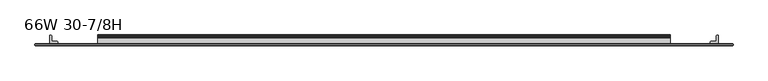
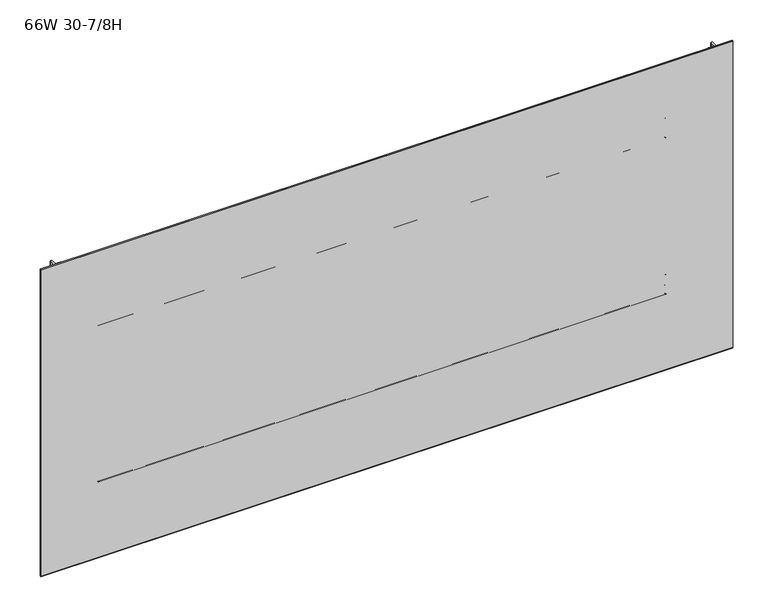
"""IFC4 building model written with IfcOpenShell, lengths in millimetres: furniture geometry, 66W 30-7/8H."""

from ifc_helpers import new_model, si_unit, point, frame, frame_2d, origin, place, context, project, spatial, polyline, circle_curve, trimmed, segment, composite_curve, outline, extrude, faceted_brep, source, transform, mapped, element, save


def furniture_66w_30_7_8h_f20e3767(model_context):
    return source(origin(), model_context, "Body", "SolidModel", [
        extrude(outline(composite_curve([segment(polyline([(-5.2324, 715.0809175), (-5.2324, 736.1994434)]), True, "CONTINUOUS"), segment(trimmed(circle_curve(frame_2d((-4.677496, 736.1994434)), 0.554904), [point((-5.2324, 736.1994434))], [point((-4.5338691, 736.7354377))], False, "CARTESIAN"), True, "CONTINUOUS"), segment(polyline([(-4.5338691, 736.7354377), (-3.3274001, 736.4121481), (-2.3976956, 735.482481), (-2.0574001, 734.2124277), (-2.0574001, 721.4426431)]), True, "CONTINUOUS"), segment(trimmed(circle_curve(frame_2d((-1.4921701, 721.4426431)), 0.5652299), [point((-2.0574001, 721.4426431))], [point((-1.4921701, 720.8774132))], True, "CARTESIAN"), True, "CONTINUOUS"), segment(polyline([(-1.4921701, 720.8774132), (0.5143951, 720.8774132)]), True, "CONTINUOUS"), segment(trimmed(circle_curve(frame_2d((0.5143951, 720.2742083)), 0.6032049), [point((0.5143951, 720.8774132))], [point((1.1176, 720.2742083))], False, "CARTESIAN"), True, "CONTINUOUS"), segment(polyline([(1.1176, 720.2742083), (1.1176, 689.1596046)]), True, "CONTINUOUS"), segment(trimmed(circle_curve(frame_2d((0.6637885, 691.8488096)), 2.7272272), [point((1.1176, 689.1596046))], [point((-2.0574001, 691.6674229))], False, "CARTESIAN"), True, "CONTINUOUS"), segment(polyline([(-2.0574001, 691.6674229), (-2.0574001, 713.9831717)]), True, "CONTINUOUS"), segment(trimmed(circle_curve(frame_2d((-2.6016657, 713.9831717)), 0.5442657), [point((-2.0574001, 713.9831717))], [point((-2.6016657, 714.5274374))], True, "CARTESIAN"), True, "CONTINUOUS"), segment(polyline([(-2.6016657, 714.5274374), (-4.6789199, 714.5274374)]), True, "CONTINUOUS"), segment(trimmed(circle_curve(frame_2d((-4.6789199, 715.0809175)), 0.5534801), [point((-4.6789199, 714.5274374))], [point((-5.2324, 715.0809175))], False, "CARTESIAN"), True, "CONTINUOUS")], self_intersect=False)), frame((152.4, 0.0, 0.0), z_axis=(1.0, 0.0, 0.0), x_axis=(0.0, 1.0, 0.0)), (0.0, 0.0, 1.0), 1371.6),
        extrude(outline(composite_curve([segment(polyline([(-7.1373999, 768.5024132), (-4.5974, 767.8218588), (-2.7379909, 765.9624519), (-2.0574001, 763.422418), (-2.0574001, 741.8087352)]), True, "CONTINUOUS"), segment(trimmed(circle_curve(frame_2d((-1.4969277, 741.8087352)), 0.5604724), [point((-2.0574001, 741.8087352))], [point((-1.4969277, 741.2482628))], True, "CARTESIAN"), True, "CONTINUOUS"), segment(polyline([(-1.4969277, 741.2482628), (0.4039455, 741.2482628)]), True, "CONTINUOUS"), segment(trimmed(circle_curve(frame_2d((0.4039455, 740.5346084)), 0.7136544), [point((0.4039455, 741.2482628))], [point((1.1176, 740.5346084))], False, "CARTESIAN"), True, "CONTINUOUS"), segment(polyline([(1.1176, 740.5346084), (1.1176, 722.1784694)]), True, "CONTINUOUS"), segment(trimmed(circle_curve(frame_2d((0.4746932, 722.1784694)), 0.6429068), [point((1.1176, 722.1784694))], [point((-0.1003385, 721.8909495))], False, "CARTESIAN"), True, "CONTINUOUS"), segment(polyline([(-0.1003385, 721.8909495), (-1.8183367, 725.3268984)]), True, "CONTINUOUS"), segment(trimmed(circle_curve(frame_2d((0.2069874, 726.3395745)), 2.2643874), [point((-1.8183367, 725.3268984))], [point((-2.0574001, 726.3395745))], False, "CARTESIAN"), True, "CONTINUOUS"), segment(polyline([(-2.0574001, 726.3395745), (-2.0574001, 736.0152528)]), True, "CONTINUOUS"), segment(trimmed(circle_curve(frame_2d((-2.7946089, 736.0152528)), 0.7372088), [point((-2.0574001, 736.0152528))], [point((-2.7946089, 736.7524616))], True, "CARTESIAN"), True, "CONTINUOUS"), segment(polyline([(-2.7946089, 736.7524616), (-19.4564001, 736.7524616), (-19.4564001, 768.5024132), (-7.1373999, 768.5024132)]), True, "CONTINUOUS")], self_intersect=False), holes=[composite_curve([segment(trimmed(circle_curve(frame_2d((-13.0222745, 763.2113262)), 2.7511257), [point((-13.0222745, 765.9624519))], [point((-15.7734002, 763.2113262))], True, "CARTESIAN"), True, "CONTINUOUS"), segment(polyline([(-15.7734002, 763.2113262), (-15.7734002, 741.8764781)]), True, "CONTINUOUS"), segment(trimmed(circle_curve(frame_2d((-13.189345, 741.8764781)), 2.5840552), [point((-15.7734002, 741.8764781))], [point((-13.189345, 739.2924229))], True, "CARTESIAN"), True, "CONTINUOUS"), segment(polyline([(-13.189345, 739.2924229), (-7.4218653, 739.2924229)]), True, "CONTINUOUS"), segment(trimmed(circle_curve(frame_2d((-7.4218653, 742.1168881)), 2.8244652), [point((-7.4218653, 739.2924229))], [point((-4.5974, 742.1168881))], True, "CARTESIAN"), True, "CONTINUOUS"), segment(polyline([(-4.5974, 742.1168881), (-4.5974, 763.2853081)]), True, "CONTINUOUS"), segment(trimmed(circle_curve(frame_2d((-7.2745438, 763.2853081)), 2.6771438), [point((-4.5974, 763.2853081))], [point((-7.2745438, 765.9624519))], True, "CARTESIAN"), True, "CONTINUOUS"), segment(polyline([(-7.2745438, 765.9624519), (-13.0222745, 765.9624519)]), True, "CONTINUOUS")], self_intersect=False)]), frame((152.4, 0.0, 0.0), z_axis=(1.0, 0.0, 0.0), x_axis=(0.0, 1.0, 0.0)), (0.0, 0.0, 1.0), 1371.6),
        extrude(outline(composite_curve([segment(polyline([(-5.2324, 1115.1182044), (-5.2324, 1136.2367302)]), True, "CONTINUOUS"), segment(trimmed(circle_curve(frame_2d((-4.677496, 1136.2367302)), 0.554904), [point((-5.2324, 1136.2367302))], [point((-4.5338691, 1136.7727245))], False, "CARTESIAN"), True, "CONTINUOUS"), segment(polyline([(-4.5338691, 1136.7727245), (-3.3274001, 1136.4494349), (-2.3976956, 1135.5197678), (-2.0574001, 1134.2497145), (-2.0574001, 1121.4799299)]), True, "CONTINUOUS"), segment(trimmed(circle_curve(frame_2d((-1.4921701, 1121.4799299)), 0.5652299), [point((-2.0574001, 1121.4799299))], [point((-1.4921701, 1120.9147))], True, "CARTESIAN"), True, "CONTINUOUS"), segment(polyline([(-1.4921701, 1120.9147), (0.5143951, 1120.9147)]), True, "CONTINUOUS"), segment(trimmed(circle_curve(frame_2d((0.5143951, 1120.3114951)), 0.6032049), [point((0.5143951, 1120.9147))], [point((1.1176, 1120.3114951))], False, "CARTESIAN"), True, "CONTINUOUS"), segment(polyline([(1.1176, 1120.3114951), (1.1176, 1089.1968914)]), True, "CONTINUOUS"), segment(trimmed(circle_curve(frame_2d((0.6637885, 1091.8860964)), 2.7272272), [point((1.1176, 1089.1968914))], [point((-2.0574001, 1091.7047097))], False, "CARTESIAN"), True, "CONTINUOUS"), segment(polyline([(-2.0574001, 1091.7047097), (-2.0574001, 1114.0204586)]), True, "CONTINUOUS"), segment(trimmed(circle_curve(frame_2d((-2.6016657, 1114.0204586)), 0.5442657), [point((-2.0574001, 1114.0204586))], [point((-2.6016657, 1114.5647242))], True, "CARTESIAN"), True, "CONTINUOUS"), segment(polyline([(-2.6016657, 1114.5647242), (-4.6789199, 1114.5647242)]), True, "CONTINUOUS"), segment(trimmed(circle_curve(frame_2d((-4.6789199, 1115.1182044)), 0.5534801), [point((-4.6789199, 1114.5647242))], [point((-5.2324, 1115.1182044))], False, "CARTESIAN"), True, "CONTINUOUS")], self_intersect=False)), frame((152.4, 0.0, 0.0), z_axis=(1.0, 0.0, 0.0), x_axis=(0.0, 1.0, 0.0)), (0.0, 0.0, 1.0), 1371.6),
        extrude(outline(composite_curve([segment(polyline([(-7.1373999, 1168.5397), (-4.5974, 1167.8591456), (-2.7379909, 1165.9997388), (-2.0574001, 1163.4597048), (-2.0574001, 1141.846022)]), True, "CONTINUOUS"), segment(trimmed(circle_curve(frame_2d((-1.4969277, 1141.846022)), 0.5604724), [point((-2.0574001, 1141.846022))], [point((-1.4969277, 1141.2855496))], True, "CARTESIAN"), True, "CONTINUOUS"), segment(polyline([(-1.4969277, 1141.2855496), (0.4039455, 1141.2855496)]), True, "CONTINUOUS"), segment(trimmed(circle_curve(frame_2d((0.4039455, 1140.5718952)), 0.7136544), [point((0.4039455, 1141.2855496))], [point((1.1176, 1140.5718952))], False, "CARTESIAN"), True, "CONTINUOUS"), segment(polyline([(1.1176, 1140.5718952), (1.1176, 1122.2157562)]), True, "CONTINUOUS"), segment(trimmed(circle_curve(frame_2d((0.4746932, 1122.2157562)), 0.6429068), [point((1.1176, 1122.2157562))], [point((-0.1003385, 1121.9282364))], False, "CARTESIAN"), True, "CONTINUOUS"), segment(polyline([(-0.1003385, 1121.9282364), (-1.8183367, 1125.3641852)]), True, "CONTINUOUS"), segment(trimmed(circle_curve(frame_2d((0.2069874, 1126.3768613)), 2.2643874), [point((-1.8183367, 1125.3641852))], [point((-2.0574001, 1126.3768613))], False, "CARTESIAN"), True, "CONTINUOUS"), segment(polyline([(-2.0574001, 1126.3768613), (-2.0574001, 1136.0525396)]), True, "CONTINUOUS"), segment(trimmed(circle_curve(frame_2d((-2.7946089, 1136.0525396)), 0.7372088), [point((-2.0574001, 1136.0525396))], [point((-2.7946089, 1136.7897484))], True, "CARTESIAN"), True, "CONTINUOUS"), segment(polyline([(-2.7946089, 1136.7897484), (-19.4564001, 1136.7897484), (-19.4564001, 1168.5397), (-7.1373999, 1168.5397)]), True, "CONTINUOUS")], self_intersect=False), holes=[composite_curve([segment(trimmed(circle_curve(frame_2d((-13.0222745, 1163.248613)), 2.7511257), [point((-13.0222745, 1165.9997388))], [point((-15.7734002, 1163.248613))], True, "CARTESIAN"), True, "CONTINUOUS"), segment(polyline([(-15.7734002, 1163.248613), (-15.7734002, 1141.9137649)]), True, "CONTINUOUS"), segment(trimmed(circle_curve(frame_2d((-13.189345, 1141.9137649)), 2.5840552), [point((-15.7734002, 1141.9137649))], [point((-13.189345, 1139.3297097))], True, "CARTESIAN"), True, "CONTINUOUS"), segment(polyline([(-13.189345, 1139.3297097), (-7.4218653, 1139.3297097)]), True, "CONTINUOUS"), segment(trimmed(circle_curve(frame_2d((-7.4218653, 1142.1541749)), 2.8244652), [point((-7.4218653, 1139.3297097))], [point((-4.5974, 1142.1541749))], True, "CARTESIAN"), True, "CONTINUOUS"), segment(polyline([(-4.5974, 1142.1541749), (-4.5974, 1163.322595)]), True, "CONTINUOUS"), segment(trimmed(circle_curve(frame_2d((-7.2745438, 1163.322595)), 2.6771438), [point((-4.5974, 1163.322595))], [point((-7.2745438, 1165.9997388))], True, "CARTESIAN"), True, "CONTINUOUS"), segment(polyline([(-7.2745438, 1165.9997388), (-13.0222745, 1165.9997388)]), True, "CONTINUOUS")], self_intersect=False)]), frame((152.4, 0.0, 0.0), z_axis=(1.0, 0.0, 0.0), x_axis=(0.0, 1.0, 0.0)), (0.0, 0.0, 1.0), 1371.6),
        extrude(outline(composite_curve([segment(trimmed(circle_curve(frame_2d((1637.7524764, -18.9088765)), 0.5475236), [point((1638.3, -18.9088765))], [point((1637.7524764, -19.4564001))], False, "CARTESIAN"), True, "CONTINUOUS"), segment(polyline([(1637.7524764, -19.4564001), (1619.8113866, -19.4564001)]), True, "CONTINUOUS"), segment(trimmed(circle_curve(frame_2d((1619.8113866, -18.8950135)), 0.5613866), [point((1619.8113866, -19.4564001))], [point((1619.25, -18.8950135))], False, "CARTESIAN"), True, "CONTINUOUS"), segment(polyline([(1619.25, -18.8950135), (1619.25, -16.8669745)]), True, "CONTINUOUS"), segment(trimmed(circle_curve(frame_2d((1621.8294745, -16.8669745)), 2.5794745), [point((1619.25, -16.8669745))], [point((1621.8294745, -14.2875))], False, "CARTESIAN"), True, "CONTINUOUS"), segment(polyline([(1621.8294745, -14.2875), (1632.8787912, -14.2875)]), True, "CONTINUOUS"), segment(trimmed(circle_curve(frame_2d((1632.8787912, -13.6414903)), 0.6460097), [point((1632.8787912, -14.2875))], [point((1633.5248009, -13.6414903))], True, "CARTESIAN"), True, "CONTINUOUS"), segment(polyline([(1633.5248009, -13.6414903), (1633.5248009, -2.768893)]), True, "CONTINUOUS"), segment(trimmed(circle_curve(frame_2d((1636.2936939, -2.768893)), 2.768893), [point((1633.5248009, -2.768893))], [point((1636.2936939, 0.0))], False, "CARTESIAN"), True, "CONTINUOUS"), segment(polyline([(1636.2936939, 0.0), (1637.7082199, 0.0)]), True, "CONTINUOUS"), segment(trimmed(circle_curve(frame_2d((1637.7082199, -0.5917801)), 0.5917801), [point((1637.7082199, 0.0))], [point((1638.3, -0.5917801))], False, "CARTESIAN"), True, "CONTINUOUS"), segment(polyline([(1638.3, -0.5917801), (1638.3, -18.9088765)]), True, "CONTINUOUS")], self_intersect=False)), frame((0.0, 0.0, 541.655), z_axis=(0.0, 0.0, 1.0), x_axis=(1.0, 0.0, 0.0)), (0.0, 0.0, 1.0), 774.6873),
        extrude(outline(composite_curve([segment(polyline([(38.1, -18.9088765), (38.1, -0.5917801)]), True, "CONTINUOUS"), segment(trimmed(circle_curve(frame_2d((38.6917801, -0.5917801)), 0.5917801), [point((38.1, -0.5917801))], [point((38.6917801, 0.0))], False, "CARTESIAN"), True, "CONTINUOUS"), segment(polyline([(38.6917801, 0.0), (40.1063061, 0.0)]), True, "CONTINUOUS"), segment(trimmed(circle_curve(frame_2d((40.1063061, -2.768893)), 2.768893), [point((40.1063061, 0.0))], [point((42.8751991, -2.768893))], False, "CARTESIAN"), True, "CONTINUOUS"), segment(polyline([(42.8751991, -2.768893), (42.8751991, -13.6414903)]), True, "CONTINUOUS"), segment(trimmed(circle_curve(frame_2d((43.5212088, -13.6414903)), 0.6460097), [point((42.8751991, -13.6414903))], [point((43.5212088, -14.2875))], True, "CARTESIAN"), True, "CONTINUOUS"), segment(polyline([(43.5212088, -14.2875), (54.5705255, -14.2875)]), True, "CONTINUOUS"), segment(trimmed(circle_curve(frame_2d((54.5705255, -16.8669745)), 2.5794745), [point((54.5705255, -14.2875))], [point((57.15, -16.8669745))], False, "CARTESIAN"), True, "CONTINUOUS"), segment(polyline([(57.15, -16.8669745), (57.15, -18.8950135)]), True, "CONTINUOUS"), segment(trimmed(circle_curve(frame_2d((56.5886134, -18.8950135)), 0.5613866), [point((57.15, -18.8950135))], [point((56.5886134, -19.4564001))], False, "CARTESIAN"), True, "CONTINUOUS"), segment(polyline([(56.5886134, -19.4564001), (38.6475236, -19.4564001)]), True, "CONTINUOUS"), segment(trimmed(circle_curve(frame_2d((38.6475236, -18.9088765)), 0.5475236), [point((38.6475236, -19.4564001))], [point((38.1, -18.9088765))], False, "CARTESIAN"), True, "CONTINUOUS")], self_intersect=False)), frame((0.0, 0.0, 541.655), z_axis=(0.0, 0.0, 1.0), x_axis=(1.0, 0.0, 0.0)), (0.0, 0.0, 1.0), 774.6873),
        extrude(outline(polyline([(1669.0975002, -20.0634601), (7.3024998, -20.0634601), (7.3024998, -19.4564001), (1669.0975002, -19.4564001), (1669.0975002, -20.0634601)])), frame((0.0, 0.0, 541.655), z_axis=(0.0, 0.0, 1.0), x_axis=(1.0, 0.0, 0.0)), (0.0, 0.0, 1.0), 774.6873),
        faceted_brep([(1673.8600024, -24.0512595, 1321.1048), (1673.8600024, -20.8508598, 1321.1048), (2.5400001, -20.8508598, 1321.1048), (2.5400001, -24.0512595, 1321.1048), (2.5400001, -24.0512595, 536.8798), (2.5400001, -20.8508598, 536.8798), (1673.8600024, -20.8508598, 536.8798), (1673.8600024, -24.0512595, 536.8798), (3.3274521, -24.8386592, 1320.3173481), (3.3274521, -24.8386592, 537.6672519), (1673.0725505, -24.8386592, 537.6672519), (1673.0725505, -24.8386592, 1320.3173481), (3.3274521, -20.0634601, 537.6672519), (3.3274521, -20.0634601, 1320.3173481), (1673.0725505, -20.0634601, 1320.3173481), (1673.0725505, -20.0634601, 537.6672519)], [[[0, 1, 2, 3]], [[4, 5, 6, 7]], [[8, 9, 10, 11]], [[1, 0, 7, 6]], [[12, 13, 14, 15]], [[3, 2, 5, 4]], [[12, 5, 2, 13]], [[4, 9, 8, 3]], [[5, 12, 15, 6]], [[9, 4, 7, 10]], [[6, 15, 14, 1]], [[10, 7, 0, 11]], [[13, 2, 1, 14]], [[3, 8, 11, 0]]]),
    ])


if __name__ == "__main__":
    model = new_model("IFC4")
    model_context = context("Model", 3, world=origin())
    ifc_project = project(units=[si_unit("LENGTHUNIT", "METRE", prefix="MILLI")], contexts=[model_context])
    site = spatial("IfcSite", under=ifc_project)
    building = spatial("IfcBuilding", under=site)
    placement = place(None, origin())
    furniture_66w_30_7_8h_shape = furniture_66w_30_7_8h_f20e3767(model_context)
    element("IfcFurniture", 1, ObjectType="66W 30-7/8H", at=placement, inside=building, context=model_context, shape_type="MappedRepresentation", body=[
        mapped(furniture_66w_30_7_8h_shape, transform((0.0, 0.0, 0.0), x_axis=(1.0, 0.0, 0.0), y_axis=(0.0, 1.0, 0.0), z_axis=(0.0, 0.0, 1.0))),
    ])
    save(model, "model.ifc")
